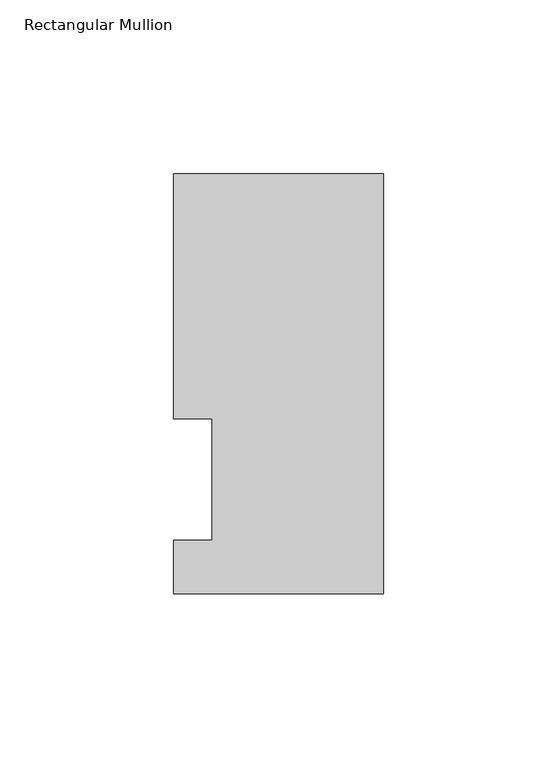
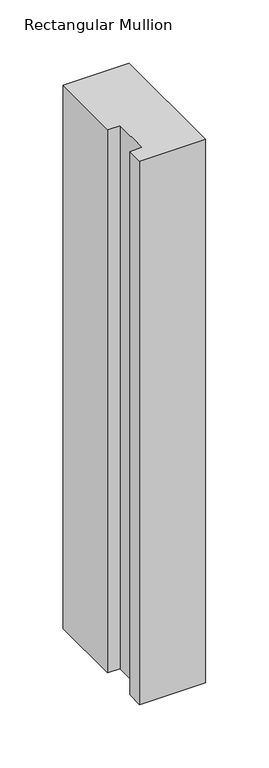
"""IFC4 building model written with IfcOpenShell, lengths in millimetres: member geometry, Rectangular Mullion."""

from ifc_helpers import new_model, si_unit, frame, origin, place, context, project, spatial, polyline, outline, extrude, source, transform, mapped, element, save


def rectangular_mullion_d55ad42b(model_context):
    return source(origin(), model_context, "Body", "SweptSolid", [
        extrude(outline(polyline([(0.0, -3.3164122), (-60.3251015, -3.3164122), (-60.3251015, 12.1267878), (-49.2253015, 12.1267878), (-49.2253015, 47.0517878), (-60.3251015, 47.0517878), (-60.3251015, 117.4859878), (0.0, 117.4859878), (0.0, -3.3164122)])), frame((0.0, 0.0, -523.875), z_axis=(0.0, 0.0, 1.0), x_axis=(1.0, 0.0, 0.0)), (0.0, 0.0, 1.0), 523.875),
    ])


if __name__ == "__main__":
    model = new_model("IFC4")
    model_context = context("Model", 3, world=origin())
    ifc_project = project(units=[si_unit("LENGTHUNIT", "METRE", prefix="MILLI")], contexts=[model_context])
    site = spatial("IfcSite", under=ifc_project)
    building = spatial("IfcBuilding", under=site)
    placement = place(None, origin())
    rectangular_mullion_shape = rectangular_mullion_d55ad42b(model_context)
    element("IfcMember", 1, ObjectType="Rectangular Mullion", at=placement, inside=building, context=model_context, shape_type="MappedRepresentation", body=[
        mapped(rectangular_mullion_shape, transform((0.0, 0.0, 0.0), x_axis=(1.0, 0.0, 0.0), y_axis=(0.0, 1.0, 0.0), z_axis=(0.0, 0.0, 1.0))),
    ])
    save(model, "model.ifc")
